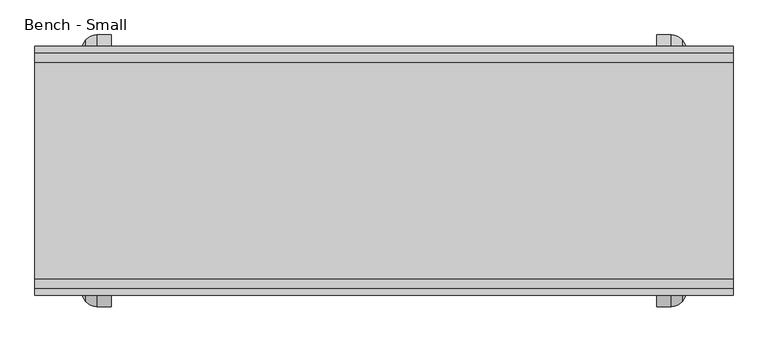
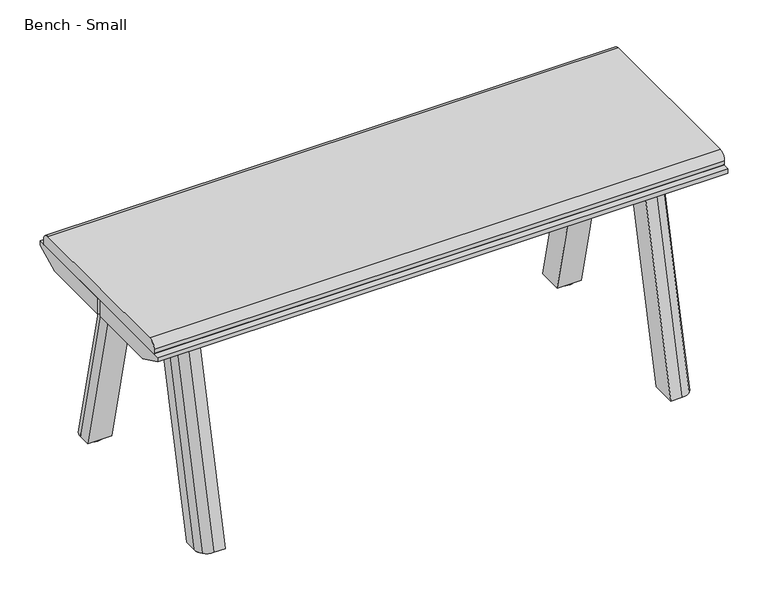
"""IFC4 building model written with IfcOpenShell, lengths in millimetres: furniture geometry, Bench - Small."""

from ifc_helpers import new_model, si_unit, point, frame, frame_2d, origin, origin_with_axes, place, context, project, spatial, polyline, circle_curve, trimmed, segment, composite_curve, outline, extrude, source, transform, mapped, element, save
from ifc_brep_helpers import plane_surface, extruded_surface, advanced_brep


def bench_small_a8d43dc9(model_context):
    return source(origin(), model_context, "Body", "SolidModel", [
        extrude(outline(composite_curve([segment(trimmed(circle_curve(frame_2d((1009.6211551, -198.0110307)), 21.338367), [point((988.2827881, -198.0110307))], [point((1030.9595221, -198.0110307))], False, "CARTESIAN"), True, "CONTINUOUS"), segment(trimmed(circle_curve(frame_2d((1009.6211551, -198.0110307)), 21.338367), [point((1030.9595221, -198.0110307))], [point((988.2827881, -198.0110307))], False, "CARTESIAN"), True, "CONTINUOUS")], self_intersect=False)), origin_with_axes(), (0.0, 0.0, 1.0), 3.0238045),
        extrude(outline(composite_curve([segment(trimmed(circle_curve(frame_2d((1009.6211551, 198.0110307)), 21.338367), [point((988.2827881, 198.0110307))], [point((1030.9595221, 198.0110307))], False, "CARTESIAN"), True, "CONTINUOUS"), segment(trimmed(circle_curve(frame_2d((1009.6211551, 198.0110307)), 21.338367), [point((1030.9595221, 198.0110307))], [point((988.2827881, 198.0110307))], False, "CARTESIAN"), True, "CONTINUOUS")], self_intersect=False)), origin_with_axes(), (0.0, 0.0, 1.0), 3.0238045),
        extrude(outline(composite_curve([segment(trimmed(circle_curve(frame_2d((52.6059036, -198.0110307)), 21.338367), [point((31.2675366, -198.0110307))], [point((73.9442706, -198.0110307))], False, "CARTESIAN"), True, "CONTINUOUS"), segment(trimmed(circle_curve(frame_2d((52.6059036, -198.0110307)), 21.338367), [point((73.9442706, -198.0110307))], [point((31.2675366, -198.0110307))], False, "CARTESIAN"), True, "CONTINUOUS")], self_intersect=False)), origin_with_axes(), (0.0, 0.0, 1.0), 3.0238045),
        extrude(outline(composite_curve([segment(trimmed(circle_curve(frame_2d((52.6059036, 198.0110307)), 21.338367), [point((31.2675366, 198.0110307))], [point((73.9442706, 198.0110307))], False, "CARTESIAN"), True, "CONTINUOUS"), segment(trimmed(circle_curve(frame_2d((52.6059036, 198.0110307)), 21.338367), [point((73.9442706, 198.0110307))], [point((31.2675366, 198.0110307))], False, "CARTESIAN"), True, "CONTINUOUS")], self_intersect=False)), origin_with_axes(), (0.0, 0.0, 1.0), 3.0238045),
        extrude(outline(composite_curve([segment(polyline([(-179.574525, 472.5892981), (179.574525, 472.5892981)]), True, "CONTINUOUS"), segment(trimmed(circle_curve(frame_2d((179.574525, 457.3458272)), 15.2434709), [point((179.574525, 472.5892981))], [point((194.8179959, 457.3458272))], False, "CARTESIAN"), True, "CONTINUOUS"), segment(polyline([(194.8179959, 457.3458272), (194.8179959, 448.7305541)]), True, "CONTINUOUS"), segment(trimmed(circle_curve(frame_2d((193.0881128, 448.7305541)), 1.7298831), [point((194.8179959, 448.7305541))], [point((193.0881128, 447.000671))], False, "CARTESIAN"), True, "CONTINUOUS"), segment(polyline([(193.0881128, 447.000671), (-193.0881128, 447.000671)]), True, "CONTINUOUS"), segment(trimmed(circle_curve(frame_2d((-193.0881128, 448.7305541)), 1.7298831), [point((-193.0881128, 447.000671))], [point((-194.8179959, 448.7305541))], False, "CARTESIAN"), True, "CONTINUOUS"), segment(polyline([(-194.8179959, 448.7305541), (-194.8179959, 457.3458272)]), True, "CONTINUOUS"), segment(trimmed(circle_curve(frame_2d((-179.574525, 457.3458272)), 15.2434709), [point((-194.8179959, 457.3458272))], [point((-179.574525, 472.5892981))], False, "CARTESIAN"), True, "CONTINUOUS")], self_intersect=False)), frame((-48.770455, 0.0, 0.0), z_axis=(1.0, 0.0, 0.0), x_axis=(0.0, 1.0, 0.0)), (0.0, 0.0, 1.0), 1159.7679688),
        advanced_brep(
        [(1110.9975138, -3.8279952, 447.0796875), (-48.770455, -3.8279952, 447.0796875), (-48.770455, -207.0048014, 447.0796875), (1110.9975138, -207.0048014, 447.0796875), (-48.770455, -154.8884481, 412.7956125), (-48.770455, -3.8279952, 412.7956125), (31.6875532, -3.8279952, 412.7956125), (31.6875532, -79.1576268, 412.7956125), (28.7582914, -79.1576268, 412.7956125), (28.7582914, -103.8828618, 412.7956125), (36.0969423, -122.4520409, 412.7956125), (54.3468458, -130.3741591, 412.7956125), (78.229545, -130.3741591, 412.7956125), (78.229545, -126.1877606, 412.7956125), (984.0251548, -126.1877606, 412.7956125), (984.0251548, -130.3741591, 412.7956125), (1007.907854, -130.3741591, 412.7956125), (1026.1577575, -122.4520409, 412.7956125), (1033.4964084, -103.8828618, 412.7956125), (1033.4964084, -79.1576268, 412.7956125), (1030.0638937, -79.1576268, 412.7956125), (1030.0638937, -3.8279952, 412.7956125), (1110.9975138, -3.8279952, 412.7956125), (1110.9975138, -154.8884481, 412.7956125), (74.8131803, -3.8279952, 412.7956125), (987.2026887, -3.8279952, 412.7956125), (987.2026887, -79.1576268, 412.7956125), (984.0251548, -79.1576268, 412.7956125), (984.0251548, -93.1472084, 412.7956125), (78.229545, -93.1472084, 412.7956125), (78.229545, -79.1576268, 412.7956125), (74.8131803, -79.1576268, 412.7956125), (-48.770455, -154.8884481, 412.9692416), (-48.770455, -207.0048014, 437.7706534), (1110.9975138, -207.0048014, 437.7706534), (1110.9975138, -154.8884481, 412.9692416), (1110.9975138, 154.8884481, 412.9692416), (-48.770455, 154.8884481, 412.9692416), (-48.770455, 207.0048014, 437.7706534), (1110.9975138, 207.0048014, 437.7706534), (1110.9975138, 154.8884481, 412.7956125), (-48.770455, 154.8884481, 412.7956125), (1110.9975138, 3.8279952, 447.0796875), (1110.9975138, 207.0048014, 447.0796875), (-48.770455, 207.0048014, 447.0796875), (-48.770455, 3.8279952, 447.0796875), (-48.770455, 3.8279952, 412.7956125), (1110.9975138, 3.8279952, 412.7956125), (1030.0638937, 3.8279952, 412.7956125), (1030.0638937, 79.1576268, 412.7956125), (1033.4964084, 79.1576268, 412.7956125), (1033.4964084, 103.8828618, 412.7956125), (1026.1577575, 122.4520409, 412.7956125), (1007.907854, 130.3741591, 412.7956125), (984.0251548, 130.3741591, 412.7956125), (984.0251548, 126.1877606, 412.7956125), (78.229545, 126.1877606, 412.7956125), (78.229545, 130.3741591, 412.7956125), (54.3468458, 130.3741591, 412.7956125), (36.0969423, 122.4520409, 412.7956125), (28.7582914, 103.8828618, 412.7956125), (28.7582914, 79.1576268, 412.7956125), (31.6875532, 79.1576268, 412.7956125), (31.6875532, 3.8279952, 412.7956125), (987.2026887, 3.8279952, 412.7956125), (74.8131803, 3.8279952, 412.7956125), (74.8131803, 79.1576268, 412.7956125), (78.229545, 79.1576268, 412.7956125), (78.229545, 93.1472084, 412.7956125), (984.0251548, 93.1472084, 412.7956125), (984.0251548, 79.1576268, 412.7956125), (987.2026887, 79.1576268, 412.7956125), (984.0251548, 93.1472084, 379.5580701), (78.229545, 93.1472084, 379.5580701), (78.229545, 126.1877606, 379.5580701), (984.0251548, 126.1877606, 379.5580701), (984.0251548, -126.1877606, 379.5580701), (78.229545, -126.1877606, 379.5580701), (78.229545, -93.1472084, 379.5580701), (984.0251548, -93.1472084, 379.5580701), (74.8131803, -86.8835754, 379.5580701), (31.6875532, -86.8835754, 379.5580701), (31.6875532, 86.8835754, 379.5580701), (74.8131803, 86.8835754, 379.5580701), (1030.0638937, -86.8835754, 379.5580701), (987.2026887, -86.8835754, 379.5580701), (987.2026887, 86.8835754, 379.5580701), (1030.0638937, 86.8835754, 379.5580701), (28.7582914, -174.4076268, 3.0238045), (78.229545, -174.4076268, 3.0238045), (78.229545, -225.6241591, 3.0238045), (54.3468458, -225.6241591, 3.0238045), (36.0969423, -217.7020409, 3.0238045), (28.7582914, -199.1328618, 3.0238045), (1033.4964084, -174.4076268, 3.0238045), (1033.4964084, -199.1328618, 3.0238045), (1026.1577575, -217.7020409, 3.0238045), (1007.907854, -225.6241591, 3.0238045), (984.0251548, -225.6241591, 3.0238045), (984.0251548, -174.4076268, 3.0238045), (28.7582914, 174.4076268, 3.0238045), (28.7582914, 199.1328618, 3.0238045), (36.0969423, 217.7020409, 3.0238045), (54.3468458, 225.6241591, 3.0238045), (78.229545, 225.6241591, 3.0238045), (78.229545, 174.4076268, 3.0238045), (1033.4964084, 174.4076268, 3.0238045), (984.0251548, 174.4076268, 3.0238045), (984.0251548, 225.6241591, 3.0238045), (1007.907854, 225.6241591, 3.0238045), (1026.1577575, 217.7020409, 3.0238045), (1033.4964084, 199.1328618, 3.0238045)],
        [
            (0, 1),
            (1, 2),
            (2, 3),
            (3, 0),
            (4, 5),
            (5, 6),
            (6, 7),
            (7, 8),
            (8, 9),
            (9, 10, circle_curve(frame((55.920655, -103.8828618, 412.7956125), z_axis=(0.0, 0.0, 1.0), x_axis=(-1.0, 0.0, 0.0)), 27.1623636)),
            (10, 11, circle_curve(frame((54.3725951, -105.3329535, 412.7956125), z_axis=(0.0, 0.0, 1.0), x_axis=(-1.0, 0.0, 0.0)), 25.0412188)),
            (11, 12),
            (12, 13),
            (13, 14),
            (14, 15),
            (15, 16),
            (16, 17, circle_curve(frame((1007.8821047, -105.3329535, 412.7956125), z_axis=(0.0, 0.0, 1.0), x_axis=(1.0, 0.0, 0.0)), 25.0412188)),
            (17, 18, circle_curve(frame((1006.3340448, -103.8828618, 412.7956125), z_axis=(0.0, 0.0, 1.0), x_axis=(1.0, 0.0, 0.0)), 27.1623636)),
            (18, 19),
            (19, 20),
            (20, 21),
            (21, 22),
            (22, 23),
            (23, 4),
            (24, 25),
            (25, 26),
            (26, 27),
            (27, 28),
            (28, 29),
            (29, 30),
            (30, 31),
            (31, 24),
            (0, 22),
            (21, 25),
            (24, 6),
            (5, 1),
            (4, 32),
            (32, 33),
            (33, 2),
            (33, 34),
            (34, 3),
            (34, 35),
            (35, 23),
            (32, 35),
            (36, 37),
            (37, 38),
            (38, 39),
            (39, 36),
            (36, 40),
            (40, 41),
            (41, 37),
            (42, 43),
            (43, 44),
            (44, 45),
            (45, 42),
            (46, 41),
            (40, 47),
            (47, 48),
            (48, 49),
            (49, 50),
            (50, 51),
            (51, 52, circle_curve(frame((1006.3340448, 103.8828618, 412.7956125), z_axis=(0.0, 0.0, 1.0), x_axis=(1.0, 0.0, 0.0)), 27.1623636)),
            (52, 53, circle_curve(frame((1007.8821047, 105.3329535, 412.7956125), z_axis=(0.0, 0.0, 1.0), x_axis=(1.0, 0.0, 0.0)), 25.0412188)),
            (53, 54),
            (54, 55),
            (55, 56),
            (56, 57),
            (57, 58),
            (58, 59, circle_curve(frame((54.3725951, 105.3329535, 412.7956125), z_axis=(0.0, 0.0, 1.0), x_axis=(-1.0, 0.0, 0.0)), 25.0412188)),
            (59, 60, circle_curve(frame((55.920655, 103.8828618, 412.7956125), z_axis=(0.0, 0.0, 1.0), x_axis=(-1.0, 0.0, 0.0)), 27.1623636)),
            (60, 61),
            (61, 62),
            (62, 63),
            (63, 46),
            (64, 65),
            (65, 66),
            (66, 67),
            (67, 68),
            (68, 69),
            (69, 70),
            (70, 71),
            (71, 64),
            (45, 46),
            (63, 65),
            (64, 48),
            (47, 42),
            (44, 38),
            (43, 39),
            (64, 25),
            (21, 48),
            (63, 6),
            (24, 65),
            (72, 73),
            (73, 74),
            (74, 75),
            (75, 72),
            (76, 77),
            (77, 78),
            (78, 79),
            (79, 76),
            (80, 81),
            (81, 82),
            (82, 83),
            (83, 80),
            (84, 85),
            (85, 86),
            (86, 87),
            (87, 84),
            (74, 56),
            (55, 75),
            (72, 69),
            (68, 73),
            (78, 29),
            (28, 79),
            (76, 14),
            (13, 77),
            (71, 86),
            (85, 26),
            (20, 84),
            (87, 49),
            (62, 82),
            (81, 7),
            (31, 80),
            (83, 66),
            (88, 89),
            (89, 90),
            (90, 91),
            (91, 92, circle_curve(frame((54.3725951, -200.5829535, 3.0238045), z_axis=(0.0, 0.0, -1.0), x_axis=(-1.0, 0.0, 0.0)), 25.0412188)),
            (92, 93, circle_curve(frame((55.920655, -199.1328618, 3.0238045), z_axis=(0.0, 0.0, -1.0), x_axis=(-1.0, 0.0, 0.0)), 27.1623636)),
            (93, 88),
            (93, 9),
            (8, 88),
            (92, 10),
            (91, 11),
            (90, 12),
            (89, 30),
            (94, 95),
            (95, 96, circle_curve(frame((1006.3340448, -199.1328618, 3.0238045), z_axis=(0.0, 0.0, -1.0), x_axis=(1.0, 0.0, 0.0)), 27.1623636)),
            (96, 97, circle_curve(frame((1007.8821047, -200.5829535, 3.0238045), z_axis=(0.0, 0.0, -1.0), x_axis=(1.0, 0.0, 0.0)), 25.0412188)),
            (97, 98),
            (98, 99),
            (99, 94),
            (94, 19),
            (18, 95),
            (17, 96),
            (16, 97),
            (15, 98),
            (27, 99),
            (100, 101),
            (101, 102, circle_curve(frame((55.920655, 199.1328618, 3.0238045), z_axis=(0.0, 0.0, -1.0), x_axis=(-1.0, 0.0, 0.0)), 27.1623636)),
            (102, 103, circle_curve(frame((54.3725951, 200.5829535, 3.0238045), z_axis=(0.0, 0.0, -1.0), x_axis=(-1.0, 0.0, 0.0)), 25.0412188)),
            (103, 104),
            (104, 105),
            (105, 100),
            (100, 61),
            (60, 101),
            (59, 102),
            (58, 103),
            (57, 104),
            (67, 105),
            (106, 107),
            (107, 108),
            (108, 109),
            (109, 110, circle_curve(frame((1007.8821047, 200.5829535, 3.0238045), z_axis=(0.0, 0.0, -1.0), x_axis=(1.0, 0.0, 0.0)), 25.0412188)),
            (110, 111, circle_curve(frame((1006.3340448, 199.1328618, 3.0238045), z_axis=(0.0, 0.0, -1.0), x_axis=(1.0, 0.0, 0.0)), 27.1623636)),
            (111, 106),
            (111, 51),
            (50, 106),
            (110, 52),
            (109, 53),
            (108, 54),
            (107, 70),
        ],
        [
            plane_surface(frame((531.1135294, -105.4163983, 447.0796875), z_axis=(0.0, 0.0, 1.0), x_axis=(1.0, 0.0, 0.0))),
            plane_surface(frame((531.1135294, -105.4163983, 412.7956125), z_axis=(0.0, 0.0, -1.0), x_axis=(1.0, 0.0, 0.0))),
            plane_surface(frame((531.1135294, -3.8279952, 412.7956125), z_axis=(0.0, 1.0, 0.0), x_axis=(-1.0, 0.0, 0.0))),
            plane_surface(frame((-48.770455, -105.4163983, 412.7956125), z_axis=(-1.0, 0.0, 0.0), x_axis=(0.0, -1.0, 0.0))),
            plane_surface(frame((531.1135294, -207.0048014, 412.7956125), z_axis=(0.0, -1.0, 0.0), x_axis=(1.0, 0.0, 0.0))),
            plane_surface(frame((1110.9975138, -105.4163983, 412.7956125), z_axis=(1.0, 0.0, 0.0), x_axis=(0.0, 1.0, 0.0))),
            plane_surface(frame((1255.2163519, -154.8884481, 412.9692416), z_axis=(0.0, -0.42970901595830163, -0.9029674200125651), x_axis=(-1.0, 0.0, 0.0))),
            plane_surface(frame((1255.2163519, -154.8884481, 408.9083028), z_axis=(0.0, -1.0, 0.0), x_axis=(-1.0, 0.0, 0.0))),
            plane_surface(frame((1255.2163519, 208.6917661, 438.5734553), z_axis=(0.0, 0.42970901595830163, -0.9029674200125651), x_axis=(-1.0, 0.0, 0.0))),
            plane_surface(frame((1255.2163519, 154.8884481, 412.9692416), z_axis=(0.0, 1.0, 0.0), x_axis=(-1.0, 0.0, 0.0))),
            plane_surface(frame((531.1135294, 105.4163983, 447.0796875), z_axis=(0.0, 0.0, 1.0), x_axis=(0.0, -1.0, 0.0))),
            plane_surface(frame((531.1135294, 105.4163983, 412.7956125), z_axis=(0.0, 0.0, -1.0), x_axis=(0.0, -1.0, 0.0))),
            plane_surface(frame((531.1135294, 3.8279952, 412.7956125), z_axis=(0.0, -1.0, 0.0), x_axis=(1.0, 0.0, 0.0))),
            plane_surface(frame((-48.770455, 105.4163983, 412.7956125), z_axis=(-1.0, 0.0, 0.0), x_axis=(0.0, -1.0, 0.0))),
            plane_surface(frame((531.1135294, 207.0048014, 412.7956125), z_axis=(0.0, 1.0, 0.0), x_axis=(-1.0, 0.0, 0.0))),
            plane_surface(frame((1110.9975138, 105.4163983, 412.7956125), z_axis=(1.0, 0.0, 0.0), x_axis=(0.0, 1.0, 0.0))),
            plane_surface(frame((78.229545, 126.1877606, 412.7956125), z_axis=(0.0, 0.0, 1.0), x_axis=(-1.0, 0.0, 0.0))),
            plane_surface(frame((78.229545, 126.1877606, 379.5580701), z_axis=(0.0, 0.0, -1.0), x_axis=(1.0, 0.0, 0.0))),
            plane_surface(frame((984.0251548, 126.1877606, 412.7956125), z_axis=(0.0, 1.0, 0.0), x_axis=(0.0, 0.0, -1.0))),
            plane_surface(frame((78.229545, 93.1472084, 412.7956125), z_axis=(0.0, -1.0, 0.0), x_axis=(0.0, 0.0, -1.0))),
            plane_surface(frame((984.0251548, -93.1472084, 412.7956125), z_axis=(0.0, 1.0, 0.0), x_axis=(0.0, 0.0, -1.0))),
            plane_surface(frame((78.229545, -126.1877606, 412.7956125), z_axis=(0.0, -1.0, 0.0), x_axis=(0.0, 0.0, -1.0))),
            plane_surface(frame((987.2026887, 91.4020478, 412.7956125), z_axis=(-1.0, 0.0, 0.0), x_axis=(0.0, 0.0, -1.0))),
            plane_surface(frame((1030.0638937, -93.1472084, 412.7956125), z_axis=(1.0, 0.0, 0.0), x_axis=(0.0, 0.0, -1.0))),
            plane_surface(frame((31.6875532, 91.4020478, 412.7956125), z_axis=(-1.0, 0.0, 0.0), x_axis=(0.0, 0.0, -1.0))),
            plane_surface(frame((74.8131803, -90.5303701, 412.7956125), z_axis=(1.0, 0.0, 0.0), x_axis=(0.0, 0.0, -1.0))),
            plane_surface(frame((50.7365768, -202.8164124, 3.0238045), z_axis=(0.0, 0.0, -1.0), x_axis=(0.0, -1.0, 0.0))),
            plane_surface(frame((28.7582914, -186.7702443, 3.0238045), z_axis=(-1.0, 0.0, 0.0), x_axis=(0.0, -1.0, 0.0))),
            extruded_surface(trimmed(circle_curve(frame((55.920655, -199.1328618, 3.0238045), z_axis=(0.0, 0.0, 1.0), x_axis=(-1.0, 0.0, 0.0)), 27.1623636), [point((28.7582914, -199.1328618, 3.0238045))], [point((36.0969423, -217.7020409, 3.0238045))], True, "CARTESIAN"), (0.0, 95.25, 409.771808), 420.69644297472837),
            extruded_surface(trimmed(circle_curve(frame((54.3725951, -200.5829535, 3.0238045), z_axis=(0.0, 0.0, 1.0), x_axis=(-1.0, 0.0, 0.0)), 25.0412188), [point((36.0969423, -217.7020409, 3.0238045))], [point((54.3468458, -225.6241591, 3.0238045))], True, "CARTESIAN"), (0.0, 95.25, 409.771808), 420.69644297472837),
            plane_surface(frame((66.2881954, -225.6241591, 3.0238045), z_axis=(0.0, -0.9740320243806551, 0.22641028130569305), x_axis=(1.0, 0.0, 0.0))),
            plane_surface(frame((78.229545, -200.0158929, 3.0238045), z_axis=(1.0, 0.0, 0.0), x_axis=(0.0, 1.0, 0.0))),
            plane_surface(frame((53.4939182, -174.4076268, 3.0238045), z_axis=(0.0, 0.974032024380655, -0.22641028130569346), x_axis=(-1.0, 0.0, 0.0))),
            plane_surface(frame((1011.518123, -202.8164124, 3.0238045), z_axis=(0.0, 0.0, -1.0), x_axis=(-1.0, 0.0, 0.0))),
            plane_surface(frame((1033.4964084, -186.7702443, 3.0238045), z_axis=(1.0, 0.0, 0.0), x_axis=(0.0, 1.0, 0.0))),
            extruded_surface(trimmed(circle_curve(frame((1006.3340448, -199.1328618, 3.0238045), z_axis=(0.0, 0.0, 1.0), x_axis=(1.0, 0.0, 0.0)), 27.1623636), [point((1026.1577575, -217.7020409, 3.0238045))], [point((1033.4964084, -199.1328618, 3.0238045))], True, "CARTESIAN"), (0.0, 95.25, 409.771808), 420.69644297472837),
            extruded_surface(trimmed(circle_curve(frame((1007.8821047, -200.5829535, 3.0238045), z_axis=(0.0, 0.0, 1.0), x_axis=(1.0, 0.0, 0.0)), 25.0412188), [point((1007.907854, -225.6241591, 3.0238045))], [point((1026.1577575, -217.7020409, 3.0238045))], True, "CARTESIAN"), (0.0, 95.25, 409.771808), 420.69644297472837),
            plane_surface(frame((995.9665044, -225.6241591, 3.0238045), z_axis=(0.0, -0.974032024380655, 0.22641028130569352), x_axis=(1.0, 0.0, 0.0))),
            plane_surface(frame((984.0251548, -200.0158929, 3.0238045), z_axis=(-1.0, 0.0, 0.0), x_axis=(0.0, -1.0, 0.0))),
            plane_surface(frame((1008.7607816, -174.4076268, 3.0238045), z_axis=(0.0, 0.974032024380655, -0.22641028130569352), x_axis=(-1.0, 0.0, 0.0))),
            plane_surface(frame((50.7365768, 202.8164124, 3.0238045), z_axis=(0.0, 0.0, -1.0), x_axis=(1.0, 0.0, 0.0))),
            plane_surface(frame((28.7582914, 186.7702443, 3.0238045), z_axis=(-1.0, 0.0, 0.0), x_axis=(0.0, -1.0, 0.0))),
            extruded_surface(trimmed(circle_curve(frame((55.920655, 199.1328618, 3.0238045), z_axis=(0.0, 0.0, 1.0), x_axis=(-1.0, 0.0, 0.0)), 27.1623636), [point((36.0969423, 217.7020409, 3.0238045))], [point((28.7582914, 199.1328618, 3.0238045))], True, "CARTESIAN"), (0.0, -95.25, 409.771808), 420.69644297472837),
            extruded_surface(trimmed(circle_curve(frame((54.3725951, 200.5829535, 3.0238045), z_axis=(0.0, 0.0, 1.0), x_axis=(-1.0, 0.0, 0.0)), 25.0412188), [point((54.3468458, 225.6241591, 3.0238045))], [point((36.0969423, 217.7020409, 3.0238045))], True, "CARTESIAN"), (0.0, -95.25, 409.771808), 420.69644297472837),
            plane_surface(frame((66.2881954, 225.6241591, 3.0238045), z_axis=(0.0, 0.9740320243806551, 0.22641028130569327), x_axis=(-1.0, 0.0, 0.0))),
            plane_surface(frame((78.229545, 200.0158929, 3.0238045), z_axis=(1.0, 0.0, 0.0), x_axis=(0.0, 1.0, 0.0))),
            plane_surface(frame((53.4939182, 174.4076268, 3.0238045), z_axis=(0.0, -0.9740320243806551, -0.22641028130569327), x_axis=(1.0, 0.0, 0.0))),
            plane_surface(frame((1011.518123, 202.8164124, 3.0238045), z_axis=(0.0, 0.0, -1.0), x_axis=(0.0, 1.0, 0.0))),
            plane_surface(frame((1033.4964084, 186.7702443, 3.0238045), z_axis=(1.0, 0.0, 0.0), x_axis=(0.0, 1.0, 0.0))),
            extruded_surface(trimmed(circle_curve(frame((1006.3340448, 199.1328618, 3.0238045), z_axis=(0.0, 0.0, 1.0), x_axis=(1.0, 0.0, 0.0)), 27.1623636), [point((1033.4964084, 199.1328618, 3.0238045))], [point((1026.1577575, 217.7020409, 3.0238045))], True, "CARTESIAN"), (0.0, -95.25, 409.771808), 420.69644297472837),
            extruded_surface(trimmed(circle_curve(frame((1007.8821047, 200.5829535, 3.0238045), z_axis=(0.0, 0.0, 1.0), x_axis=(1.0, 0.0, 0.0)), 25.0412188), [point((1026.1577575, 217.7020409, 3.0238045))], [point((1007.907854, 225.6241591, 3.0238045))], True, "CARTESIAN"), (0.0, -95.25, 409.771808), 420.69644297472837),
            plane_surface(frame((995.9665044, 225.6241591, 3.0238045), z_axis=(0.0, 0.974032024380655, 0.22641028130569368), x_axis=(-1.0, 0.0, 0.0))),
            plane_surface(frame((984.0251548, 200.0158929, 3.0238045), z_axis=(-1.0, 0.0, 0.0), x_axis=(0.0, -1.0, 0.0))),
            plane_surface(frame((1008.7607816, 174.4076268, 3.0238045), z_axis=(0.0, -0.974032024380655, -0.22641028130569368), x_axis=(1.0, 0.0, 0.0))),
        ],
        [
            (0, [[1, 2, 3, 4]]),
            (1, [[5, 6, 7, 8, 9, 10, 11, 12, 13, 14, 15, 16, 17, 18, 19, 20, 21, 22, 23, 24]]),
            (1, [[25, 26, 27, 28, 29, 30, 31, 32]]),
            (2, [[-1, 33, -22, 34, -25, 35, -6, 36]]),
            (3, [[-2, -36, -5, 37, 38, 39]]),
            (4, [[-3, -39, 40, 41]]),
            (5, [[-4, -41, 42, 43, -23, -33]]),
            (6, [[44, -42, -40, -38]]),
            (7, [[-44, -37, -24, -43]]),
            (8, [[45, 46, 47, 48]]),
            (9, [[-45, 49, 50, 51]]),
            (10, [[52, 53, 54, 55]]),
            (11, [[56, -50, 57, 58, 59, 60, 61, 62, 63, 64, 65, 66, 67, 68, 69, 70, 71, 72, 73, 74]]),
            (11, [[75, 76, 77, 78, 79, 80, 81, 82]]),
            (12, [[-55, 83, -74, 84, -75, 85, -58, 86]]),
            (13, [[-54, 87, -46, -51, -56, -83]]),
            (14, [[-53, 88, -47, -87]]),
            (15, [[-52, -86, -57, -49, -48, -88]]),
            (16, [[89, -34, 90, -85]]),
            (16, [[91, -35, 92, -84]]),
            (17, [[93, 94, 95, 96]]),
            (17, [[97, 98, 99, 100]]),
            (17, [[101, 102, 103, 104]]),
            (17, [[105, 106, 107, 108]]),
            (18, [[-95, 109, -66, 110]]),
            (19, [[-93, 111, -79, 112]]),
            (20, [[-99, 113, -29, 114]]),
            (21, [[-97, 115, -14, 116]]),
            (22, [[-89, -82, 117, -106, 118, -26]]),
            (23, [[-90, -21, 119, -108, 120, -59]]),
            (24, [[-91, -73, 121, -102, 122, -7]]),
            (25, [[-92, -32, 123, -104, 124, -76]]),
            (26, [[125, 126, 127, 128, 129, 130]]),
            (27, [[-130, 131, -9, 132]]),
            (28, [[-129, 133, -10, -131]]),
            (29, [[-128, 134, -11, -133]]),
            (30, [[-127, 135, -12, -134]]),
            (31, [[-126, 136, -30, -113, -98, -116, -13, -135]]),
            (32, [[-125, -132, -8, -122, -101, -123, -31, -136]]),
            (33, [[137, 138, 139, 140, 141, 142]]),
            (34, [[-137, 143, -19, 144]]),
            (35, [[-138, -144, -18, 145]]),
            (36, [[-139, -145, -17, 146]]),
            (37, [[-140, -146, -16, 147]]),
            (38, [[-141, -147, -15, -115, -100, -114, -28, 148]]),
            (39, [[-142, -148, -27, -118, -105, -119, -20, -143]]),
            (40, [[149, 150, 151, 152, 153, 154]]),
            (41, [[-149, 155, -71, 156]]),
            (42, [[-150, -156, -70, 157]]),
            (43, [[-151, -157, -69, 158]]),
            (44, [[-152, -158, -68, 159]]),
            (45, [[-153, -159, -67, -109, -94, -112, -78, 160]]),
            (46, [[-154, -160, -77, -124, -103, -121, -72, -155]]),
            (47, [[161, 162, 163, 164, 165, 166]]),
            (48, [[-166, 167, -61, 168]]),
            (49, [[-165, 169, -62, -167]]),
            (50, [[-164, 170, -63, -169]]),
            (51, [[-163, 171, -64, -170]]),
            (52, [[-162, 172, -80, -111, -96, -110, -65, -171]]),
            (53, [[-161, -168, -60, -120, -107, -117, -81, -172]]),
        ],
    ),
    ])


if __name__ == "__main__":
    model = new_model("IFC4")
    model_context = context("Model", 3, world=origin())
    ifc_project = project(units=[si_unit("LENGTHUNIT", "METRE", prefix="MILLI")], contexts=[model_context])
    site = spatial("IfcSite", under=ifc_project)
    building = spatial("IfcBuilding", under=site)
    placement = place(None, origin())
    bench_small_shape = bench_small_a8d43dc9(model_context)
    element("IfcFurniture", 1, ObjectType="Bench - Small", at=placement, inside=building, context=model_context, shape_type="MappedRepresentation", body=[
        mapped(bench_small_shape, transform((0.0, 0.0, 0.0), x_axis=(1.0, 0.0, 0.0), y_axis=(0.0, 1.0, 0.0), z_axis=(0.0, 0.0, 1.0))),
    ])
    save(model, "model.ifc")
